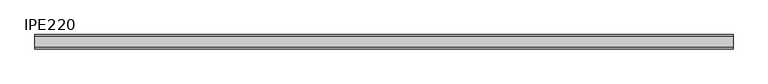
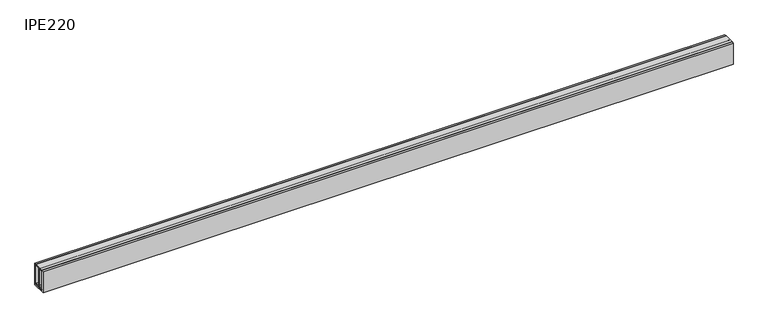
"""IFC4 building model written with IfcOpenShell, lengths in millimetres: beam geometry, IPE220."""

from ifc_helpers import new_model, si_unit, point, frame, frame_2d, origin, place, context, project, spatial, polyline, circle_curve, trimmed, segment, composite_curve, outline, extrude, source, transform, mapped, element, save


def ipe220_9547d2e6(model_context):
    return source(origin(), model_context, "Body", "SweptSolid", [
        extrude(outline(composite_curve([segment(polyline([(55.0, -100.8), (55.0, -110.0), (-55.0, -110.0), (-55.0, -100.8), (-14.95, -100.8)]), True, "CONTINUOUS"), segment(trimmed(circle_curve(frame_2d((-14.95, -88.8)), 12.0), [point((-14.95, -100.8))], [point((-2.95, -88.8))], True, "CARTESIAN"), True, "CONTINUOUS"), segment(polyline([(-2.95, -88.8), (-2.95, 88.8)]), True, "CONTINUOUS"), segment(trimmed(circle_curve(frame_2d((-14.95, 88.8)), 12.0), [point((-2.95, 88.8))], [point((-14.95, 100.8))], True, "CARTESIAN"), True, "CONTINUOUS"), segment(polyline([(-14.95, 100.8), (-55.0, 100.8), (-55.0, 110.0), (55.0, 110.0), (55.0, 100.8), (14.95, 100.8)]), True, "CONTINUOUS"), segment(trimmed(circle_curve(frame_2d((14.95, 88.8)), 12.0), [point((14.95, 100.8))], [point((2.95, 88.8))], True, "CARTESIAN"), True, "CONTINUOUS"), segment(polyline([(2.95, 88.8), (2.95, -88.8)]), True, "CONTINUOUS"), segment(trimmed(circle_curve(frame_2d((14.95, -88.8)), 12.0), [point((2.95, -88.8))], [point((14.95, -100.8))], True, "CARTESIAN"), True, "CONTINUOUS"), segment(polyline([(14.95, -100.8), (55.0, -100.8)]), True, "CONTINUOUS")], self_intersect=False)), frame((-3653.0, 0.0, 0.0), z_axis=(1.0, 0.0, 0.0), x_axis=(0.0, 1.0, 0.0)), (0.0, 0.0, 1.0), 7323.0),
        extrude(outline(polyline([(-55.0, 110.0), (-55.0, -110.0), (55.0, -110.0), (55.0, 110.0), (75.0, 110.0), (75.0, -130.0), (-75.0, -130.0), (-75.0, 110.0), (-55.0, 110.0)])), frame((-3653.0, 0.0, 0.0), z_axis=(1.0, 0.0, 0.0), x_axis=(0.0, 1.0, 0.0)), (0.0, 0.0, 1.0), 7323.0),
    ])


if __name__ == "__main__":
    model = new_model("IFC4")
    model_context = context("Model", 3, world=origin())
    ifc_project = project(units=[si_unit("LENGTHUNIT", "METRE", prefix="MILLI")], contexts=[model_context])
    site = spatial("IfcSite", under=ifc_project)
    building = spatial("IfcBuilding", under=site)
    placement = place(None, origin())
    ipe220_shape = ipe220_9547d2e6(model_context)
    element("IfcBeam", 1, ObjectType="IPE220", at=placement, inside=building, context=model_context, shape_type="MappedRepresentation", body=[
        mapped(ipe220_shape, transform((0.0, 0.0, 0.0), x_axis=(1.0, 0.0, 0.0), y_axis=(0.0, 1.0, 0.0), z_axis=(0.0, 0.0, 1.0))),
    ])
    save(model, "model.ifc")
